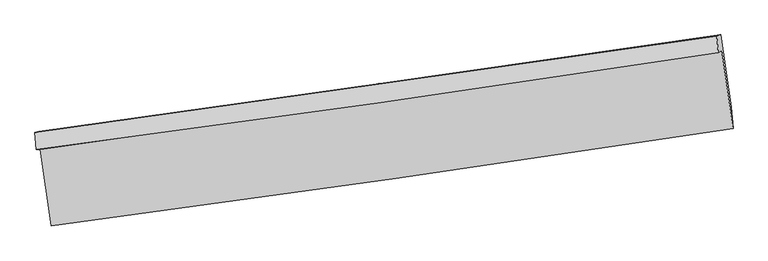
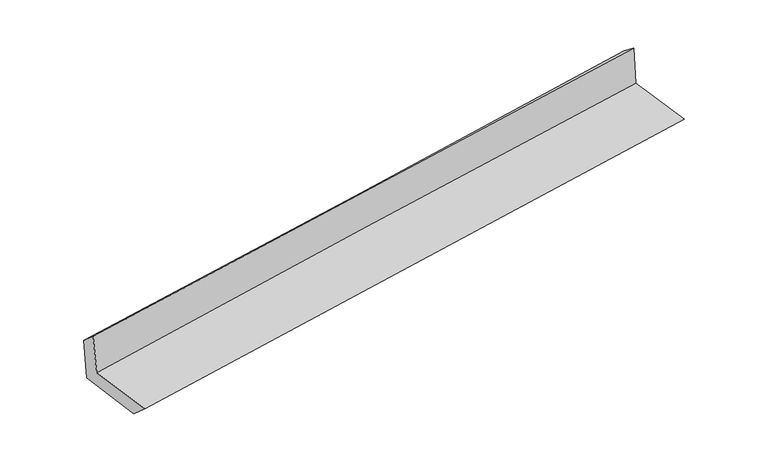
"""IFC4 building model written with IfcOpenShell, lengths in millimetres: proxy geometry."""

from ifc_helpers import new_model, si_unit, frame, origin, place, context, project, spatial, source, transform, mapped, element, save
from ifc_brep_helpers import plane_surface, spline_curve, spline_surface, advanced_brep


def generic_models_0b0d87d8(model_context):
    return source(origin(), model_context, "Body", "AdvancedBrep", [
        advanced_brep(
        [(-2989.7046538, -1931.5377542, 1655.7353732), (-2891.5046973, -2595.8178515, 1642.8654014), (3041.0870987, -1747.3992787, 2141.7222322), (2943.1137845, -1067.4351717, 2143.5882895), (-3024.5789368, -1930.4235501, 2054.2106459), (2911.1834192, -1087.1020891, 2543.1319179), (-3035.0733264, -1781.6555008, 1925.1014918), (2900.1680266, -943.17929, 2431.778382), (-3000.0334391, -1775.343946, 1512.2672978), (2934.7406586, -931.07001, 2014.3593347), (-2902.2679577, -2429.7781251, 1487.8669203), (3026.7516305, -1560.5940105, 1997.627047)],
        [
            (0, 1),
            (1, 2, spline_curve(3, [(-2891.5046973, -2595.8178515, 1642.8654014), (-1902.482339799, -2465.045032399, 1736.313548786), (-913.772554287, -2328.985381646, 1824.595464812), (1063.758510427, -2046.187074066, 1990.888778705), (2052.579323597, -1899.440533817, 2068.892472932), (3041.0870987, -1747.3992787, 2141.7222322)], [4, 2, 4], [0.0, 9.862787112723877, 19.73292481795214])),
            (2, 3),
            (3, 0, spline_curve(3, [(2943.1137845, -1067.4351717, 2143.5882895), (1953.573425201, -1216.716946549, 2075.337062403), (964.21761119, -1363.392235672, 2000.539457729), (-1013.388260384, -1651.422548698, 1837.912072015), (-2001.638592138, -1792.781454072, 1750.092038124), (-2989.7046538, -1931.5377542, 1655.7353732)], [4, 2, 4], [0.0, 9.870137705228261, 19.73292481795214])),
            (4, 0),
            (3, 5),
            (5, 4, spline_curve(3, [(2911.1834192, -1087.1020891, 2543.1319179), (1922.135637347, -1239.850409136, 2475.041732305), (932.780510938, -1386.525274389, 2400.235522333), (-1045.80739872, -1667.623385453, 2237.251765161), (-2035.039724469, -1802.055673715, 2149.084218214), (-3024.5789368, -1930.4235501, 2054.2106459)], [4, 2, 4], [0.0, 9.871507259324005, 19.735662906194932])),
            (6, 4),
            (5, 7),
            (7, 6, spline_curve(3, [(2900.1680266, -943.17929, 2431.778382), (1911.593263576, -1085.553818401, 2340.452100104), (922.518007652, -1226.639648112, 2252.551432218), (-1055.896521819, -1506.129799901, 2083.66423613), (-2045.235050493, -1644.536040017, 2002.672607113), (-3035.0733264, -1781.6555008, 1925.1014918)], [4, 2, 4], [0.0, 9.871546338122224, 19.735741034688196])),
            (8, 6),
            (7, 9),
            (9, 8, spline_curve(3, [(2934.7406586, -931.07001, 2014.3593347), (1945.543469283, -1072.66906317, 1928.912091346), (956.196083527, -1213.850803742, 1844.332203755), (-1022.062172906, -1495.274827497, 1676.96948292), (-2010.972819288, -1635.517732389, 1594.185358418), (-3000.0334391, -1775.343946, 1512.2672978)], [4, 2, 4], [0.0, 9.871706956978487, 19.736062152782964])),
            (10, 8),
            (9, 11),
            (11, 10, spline_curve(3, [(3026.7516305, -1560.5940105, 1997.627047), (2038.426937709, -1707.369868477, 1913.177049928), (1049.995537296, -1853.216442067, 1828.456116219), (-926.344484625, -2142.943096609, 1658.535670619), (-1914.252946631, -2286.824561272, 1573.336562207), (-2902.2679577, -2429.7781251, 1487.8669203)], [4, 2, 4], [0.0, 9.870411494151597, 19.73347219189985])),
            (1, 10),
            (11, 2),
        ],
        [
            spline_surface(3, 3, [[(-2989.7046538, -1931.5377542, 1655.7353732), (-2001.638592299, -1792.781454115, 1750.092038027), (-1013.388260266, -1651.422548861, 1837.912072023), (964.217611071, -1363.392235508, 2000.539457721), (1953.573425122, -1216.716946596, 2075.337062517), (2943.1137845, -1067.4351717, 2143.5882895)], [(-2956.971334974, -2152.964453293, 1651.445382597), (-1968.586508127, -2016.869313505, 1745.499208314), (-980.183024978, -1877.276826468, 1833.473202962), (997.39791084, -1590.990515037, 1997.322564682), (1986.575391304, -1444.291475655, 2073.188865994), (2975.771555913, -1294.089874038, 2142.966270402)], [(-2924.238016126, -2374.391152407, 1647.155392003), (-1935.534423932, -2240.957172915, 1740.90637861), (-946.977789609, -2103.131104043, 1829.034333938), (1030.57821069, -1818.588794534, 1994.105671679), (2019.577357447, -1671.866004701, 2071.040669465), (3008.429327287, -1520.744576362, 2142.344251298)], [(-2891.5046973, -2595.8178515, 1642.8654014), (-1902.48233976, -2465.045032305, 1736.313548896), (-913.77255432, -2328.98538165, 1824.595464876), (1063.75851046, -2046.187074063, 1990.88877864), (2052.57932363, -1899.440533761, 2068.892472942), (3041.0870987, -1747.3992787, 2141.7222322)]], [4, 4], [4, 2, 4], [0.0, 2.255666482897659], [0.0, 9.862787112723877, 19.73292481795214]),
            spline_surface(3, 3, [[(-3024.5789368, -1930.4235501, 2054.2106459), (-2035.039724337, -1802.055673703, 2149.084218063), (-1045.807398689, -1667.623385364, 2237.251765317), (932.780510908, -1386.525274478, 2400.235522176), (1922.13563728, -1239.8504092, 2475.041732267), (2911.1834192, -1087.1020891, 2543.1319179)], [(-3012.954175808, -1930.794951463, 1921.385555007), (-2023.906013666, -1798.96426717, 2016.086824725), (-1035.001019216, -1662.223106534, 2104.138534222), (943.259544295, -1378.814261492, 2267.003500694), (1932.614899903, -1232.13925502, 2341.80684235), (2921.82687431, -1080.546449988, 2409.950708433)], [(-3001.329414792, -1931.166352837, 1788.560464093), (-2012.77230297, -1795.872860648, 1883.089431366), (-1024.19463974, -1656.822827692, 1971.025303118), (953.738577684, -1371.103248494, 2133.771479203), (1943.094162498, -1224.428100776, 2208.571952434), (2932.47032939, -1073.990810812, 2276.769498967)], [(-2989.7046538, -1931.5377542, 1655.7353732), (-2001.638592299, -1792.781454115, 1750.092038027), (-1013.388260266, -1651.422548861, 1837.912072023), (964.217611071, -1363.392235508, 2000.539457721), (1953.573425122, -1216.716946596, 2075.337062517), (2943.1137845, -1067.4351717, 2143.5882895)]], [4, 4], [4, 2, 4], [0.0, 1.316516115497015], [0.0, 9.864155646870927, 19.735662906194932]),
            spline_surface(3, 3, [[(-3035.0733264, -1781.6555008, 1925.1014918), (-2045.235050395, -1644.536040137, 2002.672607069), (-1055.896521854, -1506.129799772, 2083.664236019), (922.518007688, -1226.639648242, 2252.551432329), (1911.593263436, -1085.553818369, 2340.452100122), (2900.1680266, -943.17929, 2431.778382)], [(-3031.575196519, -1831.244850575, 1968.137876485), (-2041.836608362, -1697.042584667, 2051.476477385), (-1052.533480789, -1559.960994981, 2134.860079118), (925.938842105, -1279.934856999, 2301.779462277), (1915.107388033, -1136.98601531, 2385.315310821), (2903.839824116, -991.153556364, 2468.896227284)], [(-3028.077066681, -1880.834200325, 2011.174261215), (-2038.438166371, -1749.549129172, 2100.280347747), (-1049.170439755, -1613.792190156, 2186.055922219), (929.35967649, -1333.230065721, 2351.007492228), (1918.621512683, -1188.418212259, 2430.178521568), (2907.511621684, -1039.127822736, 2506.014072616)], [(-3024.5789368, -1930.4235501, 2054.2106459), (-2035.039724337, -1802.055673703, 2149.084218063), (-1045.807398689, -1667.623385364, 2237.251765317), (932.780510908, -1386.525274478, 2400.235522176), (1922.13563728, -1239.8504092, 2475.041732267), (2911.1834192, -1087.1020891, 2543.1319179)]], [4, 4], [4, 2, 4], [0.0, 0.7233860500945966], [0.0, 9.864194696565972, 19.735741034688196]),
            spline_surface(3, 3, [[(-3000.0334391, -1775.343946, 1512.2672978), (-2010.972819415, -1635.517732505, 1594.185358267), (-1022.062172792, -1495.274827617, 1676.969482895), (956.196083413, -1213.850803621, 1844.33220378), (1945.543469337, -1072.66906318, 1928.912091459), (2934.7406586, -931.07001, 2014.3593347)], [(-3011.713401542, -1777.447797607, 1649.878695814), (-2022.393563084, -1638.523835056, 1730.347774549), (-1033.340289148, -1498.893151648, 1812.534400607), (944.97005817, -1218.113751807, 1980.405279966), (1934.22673404, -1076.963981571, 2066.09209436), (2923.216447937, -935.106436661, 2153.499017146)], [(-3023.393363958, -1779.551649193, 1787.490093786), (-2033.814306726, -1641.529937585, 1866.510190787), (-1044.618405499, -1502.511475741, 1948.099318308), (933.744032931, -1222.376700056, 2116.478356143), (1922.909998733, -1081.258899978, 2203.272097221), (2911.692237263, -939.142863339, 2292.638699554)], [(-3035.0733264, -1781.6555008, 1925.1014918), (-2045.235050395, -1644.536040137, 2002.672607069), (-1055.896521854, -1506.129799772, 2083.664236019), (922.518007688, -1226.639648242, 2252.551432329), (1911.593263436, -1085.553818369, 2340.452100122), (2900.1680266, -943.17929, 2431.778382)]], [4, 4], [4, 2, 4], [0.0, 1.341943391989659], [0.0, 9.864355195804476, 19.736062152782964]),
            spline_surface(3, 3, [[(-2902.2679577, -2429.7781251, 1487.8669203), (-1914.252946734, -2286.82456113, 1573.336562219), (-926.344484482, -2142.943096631, 1658.535670597), (1049.995537153, -1853.216442045, 1828.456116241), (2038.426937587, -1707.369868349, 1913.177050075), (3026.7516305, -1560.5940105, 1997.627047)], [(-2934.856451491, -2211.633398724, 1496.000379471), (-1946.492904285, -2069.722284912, 1580.286160906), (-958.250380578, -1927.053673644, 1664.680274709), (1018.72905258, -1640.094562589, 1833.748145433), (2007.465781499, -1495.802933284, 1918.422063859), (2996.081306529, -1350.752676991, 2003.204476223)], [(-2967.444945309, -1993.488672376, 1504.133838629), (-1978.732861863, -1852.620008723, 1587.23575958), (-990.156276695, -1711.164250603, 1670.824878783), (987.462567986, -1426.972683078, 1839.040174588), (1976.504625425, -1284.235998245, 1923.667077675), (2965.410982571, -1140.911343509, 2008.781905477)], [(-3000.0334391, -1775.343946, 1512.2672978), (-2010.972819415, -1635.517732505, 1594.185358267), (-1022.062172792, -1495.274827617, 1676.969482895), (956.196083413, -1213.850803621, 1844.33220378), (1945.543469337, -1072.66906318, 1928.912091459), (2934.7406586, -931.07001, 2014.3593347)]], [4, 4], [4, 2, 4], [0.0, 2.1347742242258203], [0.0, 9.863060697748253, 19.73347219189985]),
            spline_surface(3, 3, [[(-2891.5046973, -2595.8178515, 1642.8654014), (-1902.48233976, -2465.045032305, 1736.313548896), (-913.77255432, -2328.98538165, 1824.595464876), (1063.75851046, -2046.187074063, 1990.88877864), (2052.57932363, -1899.440533761, 2068.892472942), (3041.0870987, -1747.3992787, 2141.7222322)], [(-2895.092450765, -2540.471276038, 1591.199241026), (-1906.405875416, -2405.638208585, 1681.987886663), (-917.963197695, -2266.971286621, 1769.242200111), (1059.170852703, -1981.863530034, 1936.744557835), (2047.861861612, -1835.416978615, 2016.987331997), (3036.308609296, -1685.130855958, 2093.690503811)], [(-2898.680204235, -2485.124700562, 1539.533080674), (-1910.329411077, -2346.23138485, 1627.662224452), (-922.153841106, -2204.95719166, 1713.888935363), (1054.58319491, -1917.539986074, 1882.600337047), (2043.144399605, -1771.393423496, 1965.082191019), (3031.530119904, -1622.862433242, 2045.658775389)], [(-2902.2679577, -2429.7781251, 1487.8669203), (-1914.252946734, -2286.82456113, 1573.336562219), (-926.344484482, -2142.943096631, 1658.535670597), (1049.995537153, -1853.216442045, 1828.456116241), (2038.426937587, -1707.369868349, 1913.177050075), (3026.7516305, -1560.5940105, 1997.627047)]], [4, 4], [4, 2, 4], [0.0, 0.8238988427018755], [0.0, 9.861638897150542, 19.730627531057017]),
            plane_surface(frame((2959.5074364, -1222.7966417, 2212.0345339), z_axis=(0.9861622946468489, 0.14185674074601004, 0.08579390259092513), x_axis=(-0.08250765143352463, -0.028898819514488708, 0.9961713435376431))),
            plane_surface(frame((-2973.8605019, -2074.092788, 1713.0078551), z_axis=(-0.9858340067556398, -0.1440711932079075, -0.08587666977573727), x_axis=(-0.14621300213634963, 0.9890675186181519, 0.01916250559837114))),
        ],
        [
            (0, [[1, 2, 3, 4]]),
            (1, [[5, -4, 6, 7]]),
            (2, [[8, -7, 9, 10]]),
            (3, [[11, -10, 12, 13]]),
            (4, [[14, -13, 15, 16]]),
            (5, [[17, -16, 18, -2]]),
            (6, [[-12, -9, -6, -3, -18, -15]]),
            (7, [[-1, -5, -8, -11, -14, -17]]),
        ],
    ),
    ])


if __name__ == "__main__":
    model = new_model("IFC4")
    model_context = context("Model", 3, world=origin())
    ifc_project = project(units=[si_unit("LENGTHUNIT", "METRE", prefix="MILLI")], contexts=[model_context])
    site = spatial("IfcSite", under=ifc_project)
    building = spatial("IfcBuilding", under=site)
    placement = place(None, origin())
    generic_models_shape = generic_models_0b0d87d8(model_context)
    element("IfcBuildingElementProxy", 1, Name="Generic Models", at=placement, inside=building, context=model_context, shape_type="MappedRepresentation", body=[
        mapped(generic_models_shape, transform((0.0, 0.0, 0.0), x_axis=(1.0, 0.0, 0.0), y_axis=(0.0, 1.0, 0.0), z_axis=(0.0, 0.0, 1.0))),
    ])
    save(model, "model.ifc")
